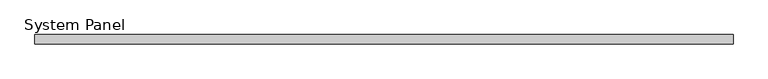
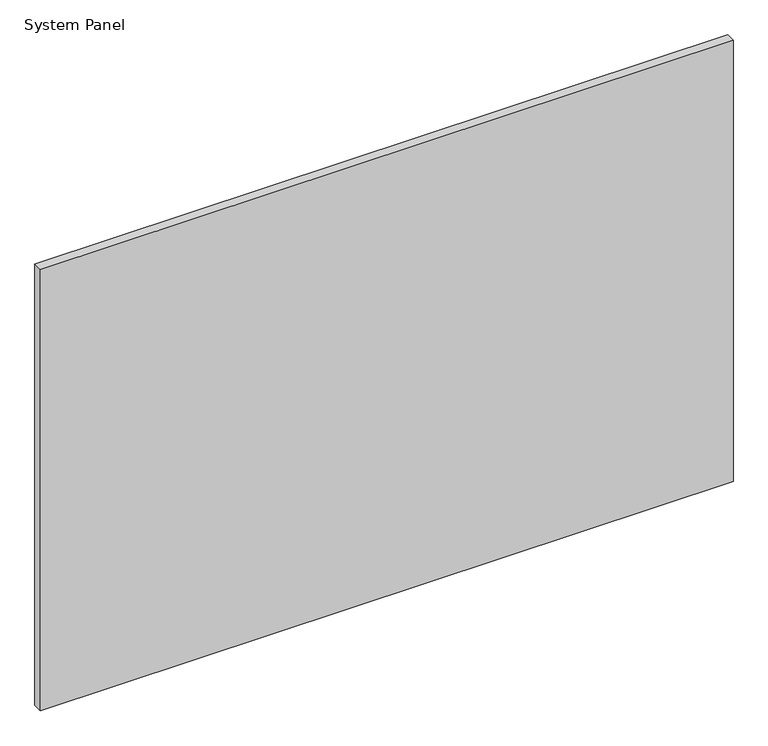
"""IFC4 building model written with IfcOpenShell, lengths in millimetres: plate geometry, System Panel."""

from ifc_helpers import new_model, si_unit, origin, origin_with_axes, place, context, project, spatial, polyline, outline, extrude, source, transform, mapped, element, save


def system_panel_2ce62be3(model_context):
    return source(origin(), model_context, "Body", "SweptSolid", [
        extrude(outline(polyline([(597.5, -8.0), (-597.5, -8.0), (-597.5, 8.0), (597.5, 8.0), (597.5, -8.0)])), origin_with_axes(), (0.0, 0.0, 1.0), 805.0),
    ])


if __name__ == "__main__":
    model = new_model("IFC4")
    model_context = context("Model", 3, world=origin())
    ifc_project = project(units=[si_unit("LENGTHUNIT", "METRE", prefix="MILLI")], contexts=[model_context])
    site = spatial("IfcSite", under=ifc_project)
    building = spatial("IfcBuilding", under=site)
    placement = place(None, origin())
    system_panel_shape = system_panel_2ce62be3(model_context)
    element("IfcPlate", 1, ObjectType="System Panel", at=placement, inside=building, context=model_context, shape_type="MappedRepresentation", body=[
        mapped(system_panel_shape, transform((0.0, 0.0, 0.0), x_axis=(1.0, 0.0, 0.0), y_axis=(0.0, 1.0, 0.0), z_axis=(0.0, 0.0, 1.0))),
    ])
    save(model, "model.ifc")
